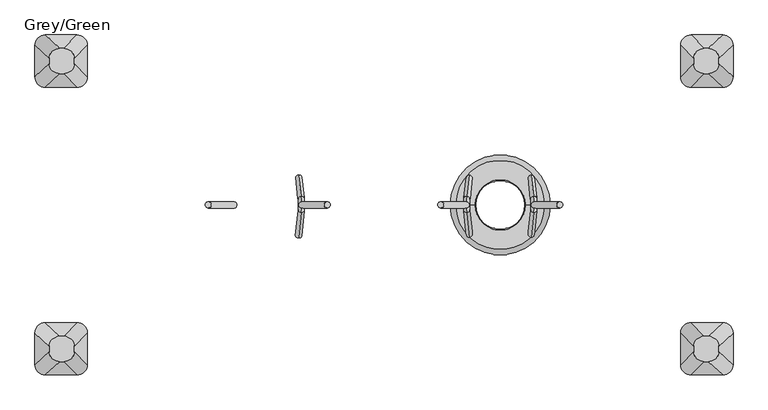
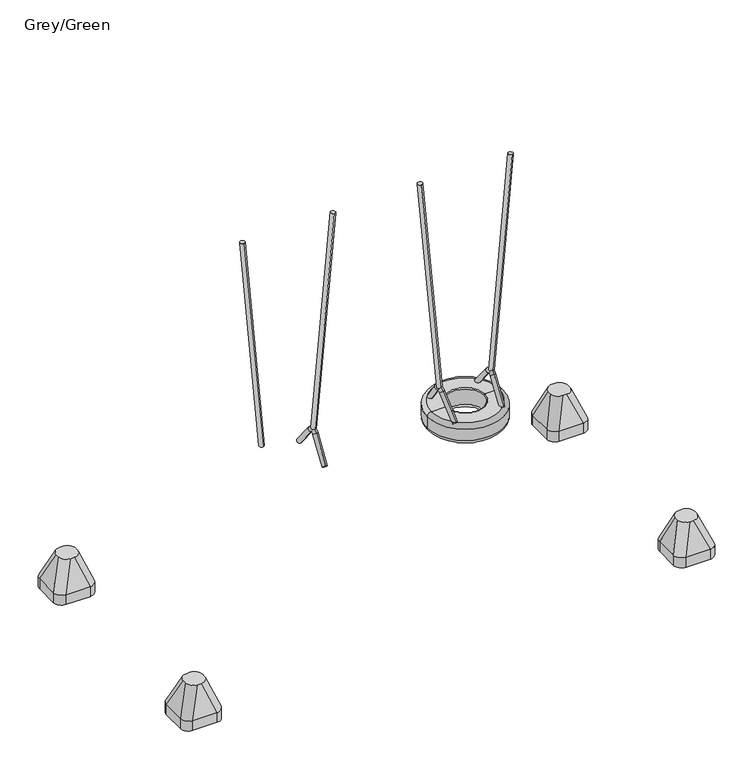
"""IFC4 building model written with IfcOpenShell, lengths in millimetres: furniture geometry, Grey/Green."""

from ifc_helpers import new_model, si_unit, point, frame, frame_2d, origin, place, context, project, spatial, circle_curve, ellipse_curve, trimmed, segment, composite_curve, outline, extrude, source, transform, mapped, element, save
from ifc_brep_helpers import plane_surface, cylinder_surface, revolved_surface, extruded_surface, advanced_brep


def grey_green_a9eba3dc(model_context):
    return source(origin(), model_context, "Body", "SolidModel", [
        extrude(outline(composite_curve([segment(trimmed(circle_curve(frame_2d((1.4321269, 0.0)), 18.0), [point((1.4321269, 18.0))], [point((1.4321269, -18.0))], False, "CARTESIAN"), True, "CONTINUOUS"), segment(trimmed(circle_curve(frame_2d((1.4321269, 0.0)), 18.0), [point((1.4321269, -18.0))], [point((1.4321269, 18.0))], False, "CARTESIAN"), True, "CONTINUOUS")], self_intersect=False)), frame((471.6509993, 0.0, 686.6778156), z_axis=(-0.08715574274765649, 0.0, 0.9961946980917457), x_axis=(-0.9961946980917457, 0.0, -0.08715574274765649)), (0.0, 0.0, 1.0), 1665.0),
        extrude(outline(composite_curve([segment(trimmed(circle_curve(frame_2d((1.4321269, 0.0)), 18.0), [point((1.4321269, 18.0))], [point((1.4321269, -18.0))], False, "CARTESIAN"), True, "CONTINUOUS"), segment(trimmed(circle_curve(frame_2d((1.4321269, 0.0)), 18.0), [point((1.4321269, -18.0))], [point((1.4321269, 18.0))], False, "CARTESIAN"), True, "CONTINUOUS")], self_intersect=False)), frame((858.3490007, 0.0, 686.6778156), z_axis=(0.08715574274767696, 0.0, 0.9961946980917439), x_axis=(0.9961946980917439, 0.0, -0.08715574274767696)), (0.0, 0.0, 1.0), 1665.0),
        advanced_brep(
        [(842.843913, 171.5929238, 509.453853), (840.9556542, 142.8420454, 487.8709553), (854.8767884, 22.4790408, 646.9902475), (856.7650472, 51.2299192, 668.5731452), (842.5847991, -188.6337903, 506.4921669), (840.5263438, -161.4642454, 482.9639159), (857.0557994, -44.3008039, 671.896457), (854.9973441, -17.131259, 648.3682061)],
        [
            (0, 1, circle_curve(frame((841.8997836, 157.2174846, 498.6624042), z_axis=(-0.06960567106284149, 0.6018150231520505, -0.7955964608169073), x_axis=(-0.05245163533952736, -0.7986355100472913, -0.5995249352960328)), 18.0)),
            (1, 0, circle_curve(frame((841.8997836, 157.2174846, 498.6624042), z_axis=(-0.06960567106284149, 0.6018150231520505, -0.7955964608169073), x_axis=(-0.05245163533952736, -0.7986355100472913, -0.5995249352960328)), 18.0)),
            (1, 2),
            (2, 3, circle_curve(frame((855.8209178, 36.85448, 657.7816963), z_axis=(-0.06960567106284149, 0.6018150231520505, -0.7955964608169073), x_axis=(-0.05245163533952736, -0.7986355100472913, -0.5995249352960328)), 18.0)),
            (3, 0),
            (3, 2, circle_curve(frame((855.8209178, 36.85448, 657.7816963), z_axis=(-0.06960567106284149, 0.6018150231520505, -0.7955964608169073), x_axis=(-0.05245163533952736, -0.7986355100472913, -0.5995249352960328)), 18.0)),
            (4, 5, circle_curve(frame((841.5555715, -175.0490178, 494.7280414), z_axis=(-0.06577727402310152, -0.6560590289905275, -0.7518376824169539), x_axis=(-0.0571793119579891, 0.7547095802227545, -0.6535625263155811)), 18.0)),
            (5, 4, circle_curve(frame((841.5555715, -175.0490178, 494.7280414), z_axis=(-0.06577727402310152, -0.6560590289905275, -0.7518376824169539), x_axis=(-0.0571793119579891, 0.7547095802227545, -0.6535625263155811)), 18.0)),
            (6, 7, circle_curve(frame((856.0265717, -30.7160315, 660.1323315), z_axis=(-0.06577727402310152, -0.6560590289905275, -0.7518376824169539), x_axis=(-0.0571793119579891, 0.7547095802227545, -0.6535625263155811)), 18.0)),
            (7, 5),
            (4, 6),
            (7, 6, circle_curve(frame((856.0265717, -30.7160315, 660.1323315), z_axis=(-0.06577727402310152, -0.6560590289905275, -0.7518376824169539), x_axis=(-0.0571793119579891, 0.7547095802227545, -0.6535625263155811)), 18.0)),
            (7, 2, circle_curve(frame((853.5392717, 2.1138353, 631.7023617), z_axis=(-0.9961946980917439, 0.0, 0.08715574274767696), x_axis=(0.0524516353395274, 0.7986355100472908, 0.5995249352960332)), 25.5)),
            (3, 6, circle_curve(frame((853.5392717, 2.1138353, 631.7023617), z_axis=(0.9961946980917439, 0.0, -0.08715574274767696), x_axis=(0.0524516353395274, 0.7986355100472908, 0.5995249352960332)), 61.5)),
        ],
        [
            plane_surface(frame((841.8997836, 157.2174846, 498.6624042), z_axis=(-0.06960567106284149, 0.6018150231520504, -0.7955964608169073), x_axis=(0.9961946980917439, 0.0, -0.08715574274767696))),
            cylinder_surface(frame((841.8997836, 157.2174846, 498.6624042), z_axis=(-0.06960567106284149, 0.6018150231520505, -0.7955964608169073), x_axis=(-0.05245163533952736, -0.7986355100472913, -0.5995249352960328)), 18.0),
            plane_surface(frame((841.5555715, -175.0490178, 494.7280414), z_axis=(-0.06577727402310148, -0.6560590289905277, -0.7518376824169536), x_axis=(0.9961946980917439, 0.0, -0.08715574274767686))),
            cylinder_surface(frame((856.0265717, -30.7160315, 660.1323315), z_axis=(0.0657772740231015, 0.6560590289905274, 0.7518376824169537), x_axis=(-0.0571793119579891, 0.7547095802227545, -0.6535625263155811)), 18.0),
            revolved_surface(trimmed(ellipse_curve(frame((855.8209178, 36.85448, 657.7816963), z_axis=(-0.06960567106284156, 0.6018150231520512, -0.7955964608169066), x_axis=(-0.05245163533952739, -0.7986355100472906, -0.5995249352960335)), 18.0, 18.0), [point((856.7650472, 51.2299192, 668.5731452))], [point((854.8767884, 22.4790408, 646.9902475))], True, "CARTESIAN"), (853.5392717, 2.1138353, 631.7023617), (0.9961946980917439, 0.0, -0.08715574274767696)),
            revolved_surface(trimmed(ellipse_curve(frame((855.8209178, 36.85448, 657.7816963), z_axis=(-0.06960567106284156, 0.6018150231520512, -0.7955964608169066), x_axis=(-0.05245163533952739, -0.7986355100472906, -0.5995249352960335)), 18.0, 18.0), [point((854.8767884, 22.4790408, 646.9902475))], [point((856.7650472, 51.2299192, 668.5731452))], True, "CARTESIAN"), (853.5392717, 2.1138353, 631.7023617), (0.9961946980917439, 0.0, -0.08715574274767696)),
        ],
        [
            (0, [[1, 2]]),
            (1, [[-2, 3, 4, 5]]),
            (1, [[-1, -5, 6, -3]]),
            (2, [[7, 8]]),
            (3, [[9, 10, -7, 11]]),
            (3, [[12, -11, -8, -10]]),
            (4, [[13, -6, 14, -12]]),
            (5, [[-14, -4, -13, -9]]),
        ],
    ),
        advanced_brep(
        [(489.0435586, 142.8352389, 487.8799535), (487.1552997, 171.5861173, 509.4628511), (475.1224244, 22.4722343, 646.9992456), (473.2341655, 51.2231127, 668.5821433), (489.4729122, -161.4568254, 482.9724192), (487.414457, -188.6263703, 506.5006701), (472.9434567, -44.2933839, 671.9049602), (475.0019119, -17.123839, 648.3767093)],
        [
            (0, 1, circle_curve(frame((488.0994292, 157.2106781, 498.6714023), z_axis=(0.06960567106282514, 0.6018150231520504, -0.7955964608169089), x_axis=(-0.052451635339515044, 0.7986355100472914, 0.5995249352960337)), 18.0)),
            (1, 0, circle_curve(frame((488.0994292, 157.2106781, 498.6714023), z_axis=(0.06960567106282514, 0.6018150231520504, -0.7955964608169089), x_axis=(-0.052451635339515044, 0.7986355100472914, 0.5995249352960337)), 18.0)),
            (0, 2),
            (2, 3, circle_curve(frame((474.178295, 36.8476735, 657.7906945), z_axis=(0.06960567106282514, 0.6018150231520504, -0.7955964608169089), x_axis=(-0.052451635339515044, 0.7986355100472914, 0.5995249352960337)), 18.0)),
            (3, 1),
            (3, 2, circle_curve(frame((474.178295, 36.8476735, 657.7906945), z_axis=(0.06960567106282514, 0.6018150231520504, -0.7955964608169089), x_axis=(-0.052451635339515044, 0.7986355100472914, 0.5995249352960337)), 18.0)),
            (4, 5, circle_curve(frame((488.4436846, -175.0415979, 494.7365446), z_axis=(0.06577727402308613, -0.6560590289905281, -0.7518376824169546), x_axis=(-0.05717931195797577, -0.754709580222754, 0.653562526315583)), 18.0)),
            (5, 4, circle_curve(frame((488.4436846, -175.0415979, 494.7365446), z_axis=(0.06577727402308613, -0.6560590289905281, -0.7518376824169546), x_axis=(-0.05717931195797577, -0.754709580222754, 0.653562526315583)), 18.0)),
            (6, 7, circle_curve(frame((473.9726843, -30.7086115, 660.1408348), z_axis=(0.06577727402308613, -0.6560590289905281, -0.7518376824169546), x_axis=(-0.05717931195797577, -0.754709580222754, 0.653562526315583)), 18.0)),
            (7, 4),
            (5, 6),
            (7, 6, circle_curve(frame((473.9726843, -30.7086115, 660.1408348), z_axis=(0.06577727402308613, -0.6560590289905281, -0.7518376824169546), x_axis=(-0.05717931195797577, -0.754709580222754, 0.653562526315583)), 18.0)),
            (6, 3, circle_curve(frame((476.4594607, 2.1143432, 631.7168506), z_axis=(-0.9961946980917457, 0.0, -0.08715574274765649), x_axis=(-0.05245163533951502, 0.7986355100472914, 0.5995249352960336)), 61.4908414)),
            (2, 7, circle_curve(frame((476.4594607, 2.1143432, 631.7168506), z_axis=(0.9961946980917457, 0.0, 0.08715574274765649), x_axis=(-0.05245163533951502, 0.7986355100472914, 0.5995249352960336)), 25.4908414)),
        ],
        [
            plane_surface(frame((488.0994292, 157.2106781, 498.6714023), z_axis=(0.06960567106282513, 0.6018150231520503, -0.7955964608169087), x_axis=(-0.9961946980917457, 0.0, -0.08715574274765646))),
            cylinder_surface(frame((488.0994292, 157.2106781, 498.6714023), z_axis=(0.06960567106282513, 0.6018150231520503, -0.7955964608169087), x_axis=(-0.052451635339515044, 0.7986355100472914, 0.5995249352960337)), 18.0),
            plane_surface(frame((488.4436846, -175.0415979, 494.7365446), z_axis=(0.06577727402308613, -0.6560590289905281, -0.7518376824169546), x_axis=(-0.9961946980917457, 0.0, -0.08715574274765645))),
            cylinder_surface(frame((473.9726843, -30.7086115, 660.1408348), z_axis=(-0.06577727402308613, 0.6560590289905281, 0.7518376824169546), x_axis=(-0.05717931195797577, -0.754709580222754, 0.653562526315583)), 18.0),
            revolved_surface(trimmed(ellipse_curve(frame((474.178295, 36.8476735, 657.7906945), z_axis=(0.0696056710628252, 0.6018150231520499, -0.7955964608169088), x_axis=(-0.05245163533951503, 0.7986355100472915, 0.5995249352960333)), 18.0, 18.0), [point((475.1224244, 22.4722343, 646.9992456))], [point((473.2341655, 51.2231127, 668.5821433))], True, "CARTESIAN"), (476.4594607, 2.1143432, 631.7168506), (0.9961946980917457, 0.0, 0.08715574274765649)),
            revolved_surface(trimmed(ellipse_curve(frame((474.178295, 36.8476735, 657.7906945), z_axis=(0.0696056710628252, 0.6018150231520499, -0.7955964608169088), x_axis=(-0.05245163533951503, 0.7986355100472915, 0.5995249352960333)), 18.0, 18.0), [point((473.2341655, 51.2231127, 668.5821433))], [point((475.1224244, 22.4722343, 646.9992456))], True, "CARTESIAN"), (476.4594607, 2.1143432, 631.7168506), (0.9961946980917457, 0.0, 0.08715574274765649)),
        ],
        [
            (0, [[1, 2]]),
            (1, [[-1, 3, 4, 5]]),
            (1, [[-2, -5, 6, -3]]),
            (2, [[7, 8]]),
            (3, [[9, 10, -8, 11]]),
            (3, [[12, -11, -7, -10]]),
            (4, [[13, -4, 14, -9]]),
            (5, [[-14, -6, -13, -12]]),
        ],
    ),
        advanced_brep(
        [(379.3165246, 0.0, 390.0), (950.6834754, 0.0, 390.0), (920.6834754, 0.0, 360.0), (409.3165246, 0.0, 360.0), (409.3165246, 0.0, 510.0), (920.6834754, 0.0, 510.0), (950.6834754, 0.0, 480.0), (379.3165246, 0.0, 480.0), (520.0, 0.0, 510.0), (810.0, 0.0, 510.0), (520.0, 0.0, 500.0), (810.0, 0.0, 500.0), (520.0, 0.0, 360.0), (810.0, 0.0, 360.0), (810.0, 0.0, 375.0), (520.0, 0.0, 375.0)],
        [
            (0, 1, circle_curve(frame((665.0, 0.0, 390.0), z_axis=(0.0, 0.0, -1.0), x_axis=(1.0, 0.0, 0.0)), 285.6834754)),
            (1, 2, circle_curve(frame((920.6834754, 0.0, 390.0), z_axis=(0.0, 1.0, 0.0), x_axis=(1.0, 0.0, 0.0)), 30.0)),
            (2, 3, circle_curve(frame((665.0, 0.0, 360.0), z_axis=(0.0, 0.0, 1.0), x_axis=(1.0, 0.0, 0.0)), 255.6834754)),
            (3, 0, circle_curve(frame((409.3165246, 0.0, 390.0), z_axis=(0.0, 1.0, 0.0), x_axis=(-1.0, 0.0, 0.0)), 30.0)),
            (1, 0, circle_curve(frame((665.0, 0.0, 390.0), z_axis=(0.0, 0.0, -1.0), x_axis=(1.0, 0.0, 0.0)), 285.6834754)),
            (3, 2, circle_curve(frame((665.0, 0.0, 360.0), z_axis=(0.0, 0.0, 1.0), x_axis=(1.0, 0.0, 0.0)), 255.6834754)),
            (4, 5, circle_curve(frame((665.0, 0.0, 510.0), z_axis=(0.0, 0.0, -1.0), x_axis=(1.0, 0.0, 0.0)), 255.6834754)),
            (5, 6, circle_curve(frame((920.6834754, 0.0, 480.0), z_axis=(0.0, 1.0, 0.0), x_axis=(1.0, 0.0, 0.0)), 30.0)),
            (6, 7, circle_curve(frame((665.0, 0.0, 480.0), z_axis=(0.0, 0.0, 1.0), x_axis=(1.0, 0.0, 0.0)), 285.6834754)),
            (7, 4, circle_curve(frame((409.3165246, 0.0, 480.0), z_axis=(0.0, 1.0, 0.0), x_axis=(-1.0, 0.0, 0.0)), 30.0)),
            (5, 4, circle_curve(frame((665.0, 0.0, 510.0), z_axis=(0.0, 0.0, -1.0), x_axis=(1.0, 0.0, 0.0)), 255.6834754)),
            (7, 6, circle_curve(frame((665.0, 0.0, 480.0), z_axis=(0.0, 0.0, 1.0), x_axis=(1.0, 0.0, 0.0)), 285.6834754)),
            (8, 9, circle_curve(frame((665.0, 0.0, 510.0), z_axis=(0.0, 0.0, -1.0), x_axis=(1.0, 0.0, 0.0)), 145.0)),
            (9, 5),
            (4, 8),
            (9, 8, circle_curve(frame((665.0, 0.0, 510.0), z_axis=(0.0, 0.0, -1.0), x_axis=(1.0, 0.0, 0.0)), 145.0)),
            (10, 11, circle_curve(frame((665.0, 0.0, 500.0), z_axis=(0.0, 0.0, -1.0), x_axis=(1.0, 0.0, 0.0)), 145.0)),
            (11, 9, circle_curve(frame((810.0, 0.0, 505.0), z_axis=(0.0, 1.0, 0.0), x_axis=(1.0, 0.0, 0.0)), 5.0)),
            (8, 10, circle_curve(frame((520.0, 0.0, 505.0), z_axis=(0.0, 1.0, 0.0), x_axis=(-1.0, 0.0, 0.0)), 5.0)),
            (11, 10, circle_curve(frame((665.0, 0.0, 500.0), z_axis=(0.0, 0.0, -1.0), x_axis=(1.0, 0.0, 0.0)), 145.0)),
            (12, 13, circle_curve(frame((665.0, 0.0, 360.0), z_axis=(0.0, 0.0, -1.0), x_axis=(1.0, 0.0, 0.0)), 145.0)),
            (13, 14, circle_curve(frame((813.8250415, 0.0, 367.5), z_axis=(0.0, 1.0, 0.0), x_axis=(1.0, 0.0, 0.0)), 8.4190821)),
            (14, 15, circle_curve(frame((665.0, 0.0, 375.0), z_axis=(0.0, 0.0, 1.0), x_axis=(1.0, 0.0, 0.0)), 145.0)),
            (15, 12, circle_curve(frame((516.1749585, 0.0, 367.5), z_axis=(0.0, 1.0, 0.0), x_axis=(-1.0, 0.0, 0.0)), 8.4190821)),
            (13, 12, circle_curve(frame((665.0, 0.0, 360.0), z_axis=(0.0, 0.0, -1.0), x_axis=(1.0, 0.0, 0.0)), 145.0)),
            (15, 14, circle_curve(frame((665.0, 0.0, 375.0), z_axis=(0.0, 0.0, 1.0), x_axis=(1.0, 0.0, 0.0)), 145.0)),
            (2, 13),
            (12, 3),
            (6, 1),
            (0, 7),
            (14, 11, circle_curve(frame((810.0, 0.0, 437.5), z_axis=(0.0, -1.0, 0.0), x_axis=(-1.0, 0.0, 0.0)), 62.5)),
            (10, 15, circle_curve(frame((520.0, 0.0, 437.5), z_axis=(0.0, -1.0, 0.0), x_axis=(1.0, 0.0, 0.0)), 62.5)),
        ],
        [
            revolved_surface(trimmed(ellipse_curve(frame((920.6834754, 0.0, 390.0), z_axis=(0.0, -1.0, 0.0), x_axis=(1.0, 0.0, 0.0)), 30.0, 30.0), [point((920.6834754, 0.0, 360.0))], [point((950.6834754, 0.0, 390.0))], True, "CARTESIAN"), (665.0, 0.0, 2969.0581012), (0.0, 0.0, 1.0)),
            revolved_surface(trimmed(ellipse_curve(frame((920.6834754, 0.0, 480.0), z_axis=(0.0, -1.0, 0.0), x_axis=(1.0, 0.0, 0.0)), 30.0, 30.0), [point((950.6834754, 0.0, 480.0))], [point((920.6834754, 0.0, 510.0))], True, "CARTESIAN"), (665.0, 0.0, 2969.0581012), (0.0, 0.0, 1.0)),
            plane_surface(frame((665.0, 0.0, 510.0), z_axis=(0.0, 0.0, 1.0), x_axis=(1.0, 0.0, 0.0))),
            revolved_surface(trimmed(ellipse_curve(frame((810.0, 0.0, 505.0), z_axis=(0.0, -1.0, 0.0), x_axis=(1.0, 0.0, 0.0)), 5.0, 5.0), [point((810.0, 0.0, 510.0))], [point((810.0, 0.0, 500.0))], True, "CARTESIAN"), (665.0, 0.0, 2969.0581012), (0.0, 0.0, 1.0)),
            revolved_surface(trimmed(ellipse_curve(frame((813.8250415, 0.0, 367.5), z_axis=(0.0, -1.0, 0.0), x_axis=(1.0, 0.0, 0.0)), 8.4190821, 8.4190821), [point((810.0, 0.0, 375.0))], [point((810.0, 0.0, 360.0))], True, "CARTESIAN"), (665.0, 0.0, 2969.0581012), (0.0, 0.0, 1.0)),
            plane_surface(frame((665.0, 0.0, 360.0), z_axis=(0.0, 0.0, -1.0), x_axis=(1.0, 0.0, 0.0))),
            cylinder_surface(frame((665.0, 0.0, 2969.0581012), z_axis=(0.0, 0.0, 1.0), x_axis=(1.0, 0.0, 0.0)), 285.6834754),
            revolved_surface(trimmed(ellipse_curve(frame((810.0, 0.0, 437.5), z_axis=(0.0, 1.0, 0.0), x_axis=(-1.0, 0.0, 0.0)), 62.5, 62.5), [point((810.0, 0.0, 500.0))], [point((810.0, 0.0, 375.0))], True, "CARTESIAN"), (665.0, 0.0, 2969.0581012), (0.0, 0.0, 1.0)),
        ],
        [
            (0, [[1, 2, 3, 4]]),
            (0, [[5, -4, 6, -2]]),
            (1, [[7, 8, 9, 10]]),
            (1, [[11, -10, 12, -8]]),
            (2, [[13, 14, -7, 15]]),
            (2, [[16, -15, -11, -14]]),
            (3, [[17, 18, -13, 19]]),
            (3, [[20, -19, -16, -18]]),
            (4, [[21, 22, 23, 24]]),
            (4, [[25, -24, 26, -22]]),
            (5, [[-3, 27, -21, 28]]),
            (5, [[-6, -28, -25, -27]]),
            (6, [[-9, 29, -1, 30]]),
            (6, [[-12, -30, -5, -29]]),
            (7, [[-23, 31, -17, 32]]),
            (7, [[-26, -32, -20, -31]]),
        ],
    ),
        advanced_brep(
        [(1757.0, -672.5, -604.0), (1937.0, -672.5, -604.0), (1997.0, -732.5, -604.0), (1997.0, -912.5, -604.0), (1937.0, -972.5, -604.0), (1757.0, -972.5, -604.0), (1697.0, -912.5, -604.0), (1697.0, -732.5, -604.0), (1757.0, -672.5, -526.0689494), (1937.0, -672.5, -526.0689494), (1997.0, -732.5, -526.0689494), (1997.0, -912.5, -526.0689494), (1937.0, -972.5, -526.0689494), (1757.0, -972.5, -526.0689494), (1697.0, -912.5, -526.0689494), (1697.0, -732.5, -526.0689494), (1855.9540451, -751.0510597, -316.0689494), (1830.9540451, -751.0510597, -316.0689494), (1770.9540451, -811.0510597, -316.0689494), (1770.9540451, -836.0510597, -316.0689494), (1830.9540451, -896.0510597, -316.0689494), (1855.9540451, -896.0510597, -316.0689494), (1915.9540451, -836.0510597, -316.0689494), (1915.9540451, -811.0510597, -316.0689494)],
        [
            (0, 1),
            (1, 2, circle_curve(frame((1937.0, -732.5, -604.0), z_axis=(0.0, 0.0, -1.0), x_axis=(-1.0, 0.0, 0.0)), 60.0)),
            (2, 3),
            (3, 4, circle_curve(frame((1937.0, -912.5, -604.0), z_axis=(0.0, 0.0, -1.0), x_axis=(-1.0, 0.0, 0.0)), 60.0)),
            (4, 5),
            (5, 6, circle_curve(frame((1757.0, -912.5, -604.0), z_axis=(0.0, 0.0, -1.0), x_axis=(-1.0, 0.0, 0.0)), 60.0)),
            (6, 7),
            (7, 0, circle_curve(frame((1757.0, -732.5, -604.0), z_axis=(0.0, 0.0, -1.0), x_axis=(-1.0, 0.0, 0.0)), 60.0)),
            (0, 8),
            (8, 9),
            (9, 1),
            (2, 10),
            (10, 11),
            (11, 3),
            (4, 12),
            (12, 13),
            (13, 5),
            (6, 14),
            (14, 15),
            (15, 7),
            (16, 17),
            (17, 18, circle_curve(frame((1830.9540451, -811.0510597, -316.0689494), z_axis=(0.0, 0.0, 1.0), x_axis=(-1.0, 0.0, 0.0)), 60.0)),
            (18, 19),
            (19, 20, circle_curve(frame((1830.9540451, -836.0510597, -316.0689494), z_axis=(0.0, 0.0, 1.0), x_axis=(-1.0, 0.0, 0.0)), 60.0)),
            (20, 21),
            (21, 22, circle_curve(frame((1855.9540451, -836.0510597, -316.0689494), z_axis=(0.0, 0.0, 1.0), x_axis=(-1.0, 0.0, 0.0)), 60.0)),
            (22, 23),
            (23, 16, circle_curve(frame((1855.9540451, -811.0510597, -316.0689494), z_axis=(0.0, 0.0, 1.0), x_axis=(-1.0, 0.0, 0.0)), 60.0)),
            (22, 11),
            (10, 23),
            (20, 13),
            (12, 21),
            (18, 15),
            (14, 19),
            (16, 9),
            (8, 17),
            (9, 10, circle_curve(frame((1937.0, -732.5, -526.0689494), z_axis=(0.0, 0.0, -1.0), x_axis=(-1.0, 0.0, 0.0)), 60.0)),
            (11, 12, circle_curve(frame((1937.0, -912.5, -526.0689494), z_axis=(0.0, 0.0, -1.0), x_axis=(-1.0, 0.0, 0.0)), 60.0)),
            (13, 14, circle_curve(frame((1757.0, -912.5, -526.0689494), z_axis=(0.0, 0.0, -1.0), x_axis=(-1.0, 0.0, 0.0)), 60.0)),
            (15, 8, circle_curve(frame((1757.0, -732.5, -526.0689494), z_axis=(0.0, 0.0, -1.0), x_axis=(-1.0, 0.0, 0.0)), 60.0)),
        ],
        [
            plane_surface(frame((2023.6329682, -672.5, -604.0), z_axis=(0.0, 0.0, -1.0), x_axis=(-1.0, 0.0, 0.0))),
            plane_surface(frame((1757.0, -672.5, -526.0689494), z_axis=(0.0, 1.0, 0.0), x_axis=(0.0, 0.0, -1.0))),
            plane_surface(frame((1997.0, -732.5, -526.0689494), z_axis=(1.0, 0.0, 0.0), x_axis=(0.0, 0.0, -1.0))),
            plane_surface(frame((1937.0, -972.5, -526.0689494), z_axis=(0.0, -1.0, 0.0), x_axis=(0.0, 0.0, -1.0))),
            plane_surface(frame((1697.0, -912.5, -526.0689494), z_axis=(-1.0, 0.0, 0.0), x_axis=(0.0, 0.0, -1.0))),
            plane_surface(frame((1843.4540451, -823.5510597, -316.0689494), z_axis=(0.0, 0.0, 1.0), x_axis=(1.0, 0.0, 0.0))),
            plane_surface(frame((1997.0, -822.5, -526.0689494), z_axis=(0.9329330935587706, 0.0, 0.36004977842357055), x_axis=(0.0, -1.0, 0.0))),
            plane_surface(frame((1847.0, -972.5, -526.0689494), z_axis=(0.0, -0.9396707723277333, 0.34208016550656856), x_axis=(-1.0, 0.0, 0.0))),
            plane_surface(frame((1697.0, -822.5, -526.0689494), z_axis=(-0.9432207285248213, 0.0, 0.33216661072586046), x_axis=(0.0, 1.0, 0.0))),
            plane_surface(frame((1847.0, -672.5, -526.0689494), z_axis=(0.0, 0.9366205672401335, 0.35034541958297477), x_axis=(1.0, 0.0, 0.0))),
            cylinder_surface(frame((1937.0, -732.5, -604.0), z_axis=(0.0, 0.0, 1.0), x_axis=(-1.0, 0.0, 0.0)), 60.0),
            cylinder_surface(frame((1937.0, -912.5, -604.0), z_axis=(0.0, 0.0, 1.0), x_axis=(-1.0, 0.0, 0.0)), 60.0),
            cylinder_surface(frame((1757.0, -912.5, -604.0), z_axis=(0.0, 0.0, 1.0), x_axis=(-1.0, 0.0, 0.0)), 60.0),
            cylinder_surface(frame((1757.0, -732.5, -604.0), z_axis=(0.0, 0.0, 1.0), x_axis=(-1.0, 0.0, 0.0)), 60.0),
            extruded_surface(trimmed(circle_curve(frame((1855.9540451, -811.0510597, -316.0689494), z_axis=(0.0, 0.0, -1.0), x_axis=(-1.0, 0.0, 0.0)), 60.0), [point((1855.9540451, -751.0510597, -316.0689494))], [point((1915.9540451, -811.0510597, -316.0689494))], True, "CARTESIAN"), (81.04595489999997, 78.5510597, -209.99999999999994), 238.40871583406042),
            extruded_surface(trimmed(circle_curve(frame((1830.9540451, -811.0510597, -316.0689494), z_axis=(0.0, 0.0, -1.0), x_axis=(-1.0, 0.0, 0.0)), 60.0), [point((1770.9540451, -811.0510597, -316.0689494))], [point((1830.9540451, -751.0510597, -316.0689494))], True, "CARTESIAN"), (-73.95404510000003, 78.5510597, -209.99999999999994), 236.0920790002193),
            extruded_surface(trimmed(circle_curve(frame((1855.9540451, -836.0510597, -316.0689494), z_axis=(0.0, 0.0, -1.0), x_axis=(-1.0, 0.0, 0.0)), 60.0), [point((1915.9540451, -836.0510597, -316.0689494))], [point((1855.9540451, -896.0510597, -316.0689494))], True, "CARTESIAN"), (81.04595489999997, -76.4489403, -209.99999999999994), 237.72439352882105),
            extruded_surface(trimmed(circle_curve(frame((1830.9540451, -836.0510597, -316.0689494), z_axis=(0.0, 0.0, -1.0), x_axis=(-1.0, 0.0, 0.0)), 60.0), [point((1830.9540451, -896.0510597, -316.0689494))], [point((1770.9540451, -836.0510597, -316.0689494))], True, "CARTESIAN"), (-73.95404510000003, -76.4489403, -209.99999999999994), 235.4010222145303),
        ],
        [
            (0, [[1, 2, 3, 4, 5, 6, 7, 8]]),
            (1, [[9, 10, 11, -1]]),
            (2, [[12, 13, 14, -3]]),
            (3, [[15, 16, 17, -5]]),
            (4, [[18, 19, 20, -7]]),
            (5, [[21, 22, 23, 24, 25, 26, 27, 28]]),
            (6, [[29, -13, 30, -27]]),
            (7, [[31, -16, 32, -25]]),
            (8, [[33, -19, 34, -23]]),
            (9, [[35, -10, 36, -21]]),
            (10, [[-11, 37, -12, -2]]),
            (11, [[-14, 38, -15, -4]]),
            (12, [[-17, 39, -18, -6]]),
            (13, [[-20, 40, -9, -8]]),
            (14, [[-30, -37, -35, -28]]),
            (15, [[-36, -40, -33, -22]]),
            (16, [[-32, -38, -29, -26]]),
            (17, [[-34, -39, -31, -24]]),
        ],
    ),
        advanced_brep(
        [(1757.0, 672.5, -604.0), (1697.0, 732.5, -604.0), (1697.0, 912.5, -604.0), (1757.0, 972.5, -604.0), (1937.0, 972.5, -604.0), (1997.0, 912.5, -604.0), (1997.0, 732.5, -604.0), (1937.0, 672.5, -604.0), (1937.0, 672.5, -526.0689494), (1757.0, 672.5, -526.0689494), (1997.0, 912.5, -526.0689494), (1997.0, 732.5, -526.0689494), (1757.0, 972.5, -526.0689494), (1937.0, 972.5, -526.0689494), (1697.0, 732.5, -526.0689494), (1697.0, 912.5, -526.0689494), (1855.9540451, 751.0510597, -316.0689494), (1915.9540451, 811.0510597, -316.0689494), (1915.9540451, 836.0510597, -316.0689494), (1855.9540451, 896.0510597, -316.0689494), (1830.9540451, 896.0510597, -316.0689494), (1770.9540451, 836.0510597, -316.0689494), (1770.9540451, 811.0510597, -316.0689494), (1830.9540451, 751.0510597, -316.0689494)],
        [
            (0, 1, circle_curve(frame((1757.0, 732.5, -604.0), z_axis=(0.0, 0.0, -1.0), x_axis=(-1.0, 0.0, 0.0)), 60.0)),
            (1, 2),
            (2, 3, circle_curve(frame((1757.0, 912.5, -604.0), z_axis=(0.0, 0.0, -1.0), x_axis=(-1.0, 0.0, 0.0)), 60.0)),
            (3, 4),
            (4, 5, circle_curve(frame((1937.0, 912.5, -604.0), z_axis=(0.0, 0.0, -1.0), x_axis=(-1.0, 0.0, 0.0)), 60.0)),
            (5, 6),
            (6, 7, circle_curve(frame((1937.0, 732.5, -604.0), z_axis=(0.0, 0.0, -1.0), x_axis=(-1.0, 0.0, 0.0)), 60.0)),
            (7, 0),
            (7, 8),
            (8, 9),
            (9, 0),
            (5, 10),
            (10, 11),
            (11, 6),
            (3, 12),
            (12, 13),
            (13, 4),
            (1, 14),
            (14, 15),
            (15, 2),
            (16, 17, circle_curve(frame((1855.9540451, 811.0510597, -316.0689494), z_axis=(0.0, 0.0, 1.0), x_axis=(-1.0, 0.0, 0.0)), 60.0)),
            (17, 18),
            (18, 19, circle_curve(frame((1855.9540451, 836.0510597, -316.0689494), z_axis=(0.0, 0.0, 1.0), x_axis=(-1.0, 0.0, 0.0)), 60.0)),
            (19, 20),
            (20, 21, circle_curve(frame((1830.9540451, 836.0510597, -316.0689494), z_axis=(0.0, 0.0, 1.0), x_axis=(-1.0, 0.0, 0.0)), 60.0)),
            (21, 22),
            (22, 23, circle_curve(frame((1830.9540451, 811.0510597, -316.0689494), z_axis=(0.0, 0.0, 1.0), x_axis=(-1.0, 0.0, 0.0)), 60.0)),
            (23, 16),
            (17, 11),
            (10, 18),
            (19, 13),
            (12, 20),
            (21, 15),
            (14, 22),
            (23, 9),
            (8, 16),
            (11, 8, circle_curve(frame((1937.0, 732.5, -526.0689494), z_axis=(0.0, 0.0, -1.0), x_axis=(-1.0, 0.0, 0.0)), 60.0)),
            (13, 10, circle_curve(frame((1937.0, 912.5, -526.0689494), z_axis=(0.0, 0.0, -1.0), x_axis=(-1.0, 0.0, 0.0)), 60.0)),
            (15, 12, circle_curve(frame((1757.0, 912.5, -526.0689494), z_axis=(0.0, 0.0, -1.0), x_axis=(-1.0, 0.0, 0.0)), 60.0)),
            (9, 14, circle_curve(frame((1757.0, 732.5, -526.0689494), z_axis=(0.0, 0.0, -1.0), x_axis=(-1.0, 0.0, 0.0)), 60.0)),
        ],
        [
            plane_surface(frame((2023.6329682, 672.5, -604.0), z_axis=(0.0, 0.0, -1.0), x_axis=(-1.0, 0.0, 0.0))),
            plane_surface(frame((1757.0, 672.5, -526.0689494), z_axis=(0.0, -1.0, 0.0), x_axis=(0.0, 0.0, -1.0))),
            plane_surface(frame((1997.0, 732.5, -526.0689494), z_axis=(1.0, 0.0, 0.0), x_axis=(0.0, 0.0, -1.0))),
            plane_surface(frame((1937.0, 972.5, -526.0689494), z_axis=(0.0, 1.0, 0.0), x_axis=(0.0, 0.0, -1.0))),
            plane_surface(frame((1697.0, 912.5, -526.0689494), z_axis=(-1.0, 0.0, 0.0), x_axis=(0.0, 0.0, -1.0))),
            plane_surface(frame((1843.4540451, 823.5510597, -316.0689494), z_axis=(0.0, 0.0, 1.0), x_axis=(1.0, 0.0, 0.0))),
            plane_surface(frame((1997.0, 822.5, -526.0689494), z_axis=(0.9329330935587706, 0.0, 0.36004977842357055), x_axis=(0.0, 1.0, 0.0))),
            plane_surface(frame((1847.0, 972.5, -526.0689494), z_axis=(0.0, 0.9396707723277333, 0.34208016550656856), x_axis=(-1.0, 0.0, 0.0))),
            plane_surface(frame((1697.0, 822.5, -526.0689494), z_axis=(-0.9432207285248213, 0.0, 0.33216661072586046), x_axis=(0.0, -1.0, 0.0))),
            plane_surface(frame((1847.0, 672.5, -526.0689494), z_axis=(0.0, -0.9366205672401335, 0.35034541958297477), x_axis=(1.0, 0.0, 0.0))),
            cylinder_surface(frame((1937.0, 732.5, -604.0), z_axis=(0.0, 0.0, 1.0), x_axis=(-1.0, 0.0, 0.0)), 60.0),
            cylinder_surface(frame((1937.0, 912.5, -604.0), z_axis=(0.0, 0.0, 1.0), x_axis=(-1.0, 0.0, 0.0)), 60.0),
            cylinder_surface(frame((1757.0, 912.5, -604.0), z_axis=(0.0, 0.0, 1.0), x_axis=(-1.0, 0.0, 0.0)), 60.0),
            cylinder_surface(frame((1757.0, 732.5, -604.0), z_axis=(0.0, 0.0, 1.0), x_axis=(-1.0, 0.0, 0.0)), 60.0),
            extruded_surface(trimmed(circle_curve(frame((1937.0, 732.5, -526.0689494), z_axis=(0.0, 0.0, 1.0), x_axis=(-1.0, 0.0, 0.0)), 60.0), [point((1937.0, 672.5, -526.0689494))], [point((1997.0, 732.5, -526.0689494))], True, "CARTESIAN"), (-81.04595489999997, 78.5510597, 209.99999999999994), 238.40871583406042),
            extruded_surface(trimmed(circle_curve(frame((1757.0, 732.5, -526.0689494), z_axis=(0.0, 0.0, 1.0), x_axis=(-1.0, 0.0, 0.0)), 60.0), [point((1697.0, 732.5, -526.0689494))], [point((1757.0, 672.5, -526.0689494))], True, "CARTESIAN"), (73.95404510000003, 78.5510597, 209.99999999999994), 236.0920790002193),
            extruded_surface(trimmed(circle_curve(frame((1937.0, 912.5, -526.0689494), z_axis=(0.0, 0.0, 1.0), x_axis=(-1.0, 0.0, 0.0)), 60.0), [point((1997.0, 912.5, -526.0689494))], [point((1937.0, 972.5, -526.0689494))], True, "CARTESIAN"), (-81.04595489999997, -76.4489403, 209.99999999999994), 237.72439352882105),
            extruded_surface(trimmed(circle_curve(frame((1757.0, 912.5, -526.0689494), z_axis=(0.0, 0.0, 1.0), x_axis=(-1.0, 0.0, 0.0)), 60.0), [point((1757.0, 972.5, -526.0689494))], [point((1697.0, 912.5, -526.0689494))], True, "CARTESIAN"), (73.95404510000003, -76.4489403, 209.99999999999994), 235.4010222145303),
        ],
        [
            (0, [[1, 2, 3, 4, 5, 6, 7, 8]]),
            (1, [[-8, 9, 10, 11]]),
            (2, [[-6, 12, 13, 14]]),
            (3, [[-4, 15, 16, 17]]),
            (4, [[-2, 18, 19, 20]]),
            (5, [[21, 22, 23, 24, 25, 26, 27, 28]]),
            (6, [[-22, 29, -13, 30]]),
            (7, [[-24, 31, -16, 32]]),
            (8, [[-26, 33, -19, 34]]),
            (9, [[-28, 35, -10, 36]]),
            (10, [[-7, -14, 37, -9]]),
            (11, [[-5, -17, 38, -12]]),
            (12, [[-3, -20, 39, -15]]),
            (13, [[-1, -11, 40, -18]]),
            (14, [[-21, -36, -37, -29]]),
            (15, [[-27, -34, -40, -35]]),
            (16, [[-23, -30, -38, -31]]),
            (17, [[-25, -32, -39, -33]]),
        ],
    ),
        advanced_brep(
        [(-1757.0, 672.5, -604.0), (-1937.0, 672.5, -604.0), (-1997.0, 732.5, -604.0), (-1997.0, 912.5, -604.0), (-1937.0, 972.5, -604.0), (-1757.0, 972.5, -604.0), (-1697.0, 912.5, -604.0), (-1697.0, 732.5, -604.0), (-1757.0, 672.5, -526.0689494), (-1937.0, 672.5, -526.0689494), (-1997.0, 732.5, -526.0689494), (-1997.0, 912.5, -526.0689494), (-1937.0, 972.5, -526.0689494), (-1757.0, 972.5, -526.0689494), (-1697.0, 912.5, -526.0689494), (-1697.0, 732.5, -526.0689494), (-1855.9540451, 751.0510597, -316.0689494), (-1830.9540451, 751.0510597, -316.0689494), (-1770.9540451, 811.0510597, -316.0689494), (-1770.9540451, 836.0510597, -316.0689494), (-1830.9540451, 896.0510597, -316.0689494), (-1855.9540451, 896.0510597, -316.0689494), (-1915.9540451, 836.0510597, -316.0689494), (-1915.9540451, 811.0510597, -316.0689494)],
        [
            (0, 1),
            (1, 2, circle_curve(frame((-1937.0, 732.5, -604.0), z_axis=(0.0, 0.0, -1.0), x_axis=(1.0, 0.0, 0.0)), 60.0)),
            (2, 3),
            (3, 4, circle_curve(frame((-1937.0, 912.5, -604.0), z_axis=(0.0, 0.0, -1.0), x_axis=(1.0, 0.0, 0.0)), 60.0)),
            (4, 5),
            (5, 6, circle_curve(frame((-1757.0, 912.5, -604.0), z_axis=(0.0, 0.0, -1.0), x_axis=(1.0, 0.0, 0.0)), 60.0)),
            (6, 7),
            (7, 0, circle_curve(frame((-1757.0, 732.5, -604.0), z_axis=(0.0, 0.0, -1.0), x_axis=(1.0, 0.0, 0.0)), 60.0)),
            (0, 8),
            (8, 9),
            (9, 1),
            (2, 10),
            (10, 11),
            (11, 3),
            (4, 12),
            (12, 13),
            (13, 5),
            (6, 14),
            (14, 15),
            (15, 7),
            (16, 17),
            (17, 18, circle_curve(frame((-1830.9540451, 811.0510597, -316.0689494), z_axis=(0.0, 0.0, 1.0), x_axis=(1.0, 0.0, 0.0)), 60.0)),
            (18, 19),
            (19, 20, circle_curve(frame((-1830.9540451, 836.0510597, -316.0689494), z_axis=(0.0, 0.0, 1.0), x_axis=(1.0, 0.0, 0.0)), 60.0)),
            (20, 21),
            (21, 22, circle_curve(frame((-1855.9540451, 836.0510597, -316.0689494), z_axis=(0.0, 0.0, 1.0), x_axis=(1.0, 0.0, 0.0)), 60.0)),
            (22, 23),
            (23, 16, circle_curve(frame((-1855.9540451, 811.0510597, -316.0689494), z_axis=(0.0, 0.0, 1.0), x_axis=(1.0, 0.0, 0.0)), 60.0)),
            (22, 11),
            (10, 23),
            (20, 13),
            (12, 21),
            (18, 15),
            (14, 19),
            (16, 9),
            (8, 17),
            (9, 10, circle_curve(frame((-1937.0, 732.5, -526.0689494), z_axis=(0.0, 0.0, -1.0), x_axis=(1.0, 0.0, 0.0)), 60.0)),
            (11, 12, circle_curve(frame((-1937.0, 912.5, -526.0689494), z_axis=(0.0, 0.0, -1.0), x_axis=(1.0, 0.0, 0.0)), 60.0)),
            (13, 14, circle_curve(frame((-1757.0, 912.5, -526.0689494), z_axis=(0.0, 0.0, -1.0), x_axis=(1.0, 0.0, 0.0)), 60.0)),
            (15, 8, circle_curve(frame((-1757.0, 732.5, -526.0689494), z_axis=(0.0, 0.0, -1.0), x_axis=(1.0, 0.0, 0.0)), 60.0)),
        ],
        [
            plane_surface(frame((-2023.6329682, 672.5, -604.0), z_axis=(0.0, 0.0, -1.0), x_axis=(1.0, 0.0, 0.0))),
            plane_surface(frame((-1757.0, 672.5, -526.0689494), z_axis=(0.0, -1.0, 0.0), x_axis=(0.0, 0.0, -1.0))),
            plane_surface(frame((-1997.0, 732.5, -526.0689494), z_axis=(-1.0, 0.0, 0.0), x_axis=(0.0, 0.0, -1.0))),
            plane_surface(frame((-1937.0, 972.5, -526.0689494), z_axis=(0.0, 1.0, 0.0), x_axis=(0.0, 0.0, -1.0))),
            plane_surface(frame((-1697.0, 912.5, -526.0689494), z_axis=(1.0, 0.0, 0.0), x_axis=(0.0, 0.0, -1.0))),
            plane_surface(frame((-1843.4540451, 823.5510597, -316.0689494), z_axis=(0.0, 0.0, 1.0), x_axis=(-1.0, 0.0, 0.0))),
            plane_surface(frame((-1997.0, 822.5, -526.0689494), z_axis=(-0.9329330935587706, 0.0, 0.36004977842357055), x_axis=(0.0, 1.0, 0.0))),
            plane_surface(frame((-1847.0, 972.5, -526.0689494), z_axis=(0.0, 0.9396707723277333, 0.34208016550656856), x_axis=(1.0, 0.0, 0.0))),
            plane_surface(frame((-1697.0, 822.5, -526.0689494), z_axis=(0.9432207285248213, 0.0, 0.33216661072586046), x_axis=(0.0, -1.0, 0.0))),
            plane_surface(frame((-1847.0, 672.5, -526.0689494), z_axis=(0.0, -0.9366205672401335, 0.35034541958297477), x_axis=(-1.0, 0.0, 0.0))),
            cylinder_surface(frame((-1937.0, 732.5, -604.0), z_axis=(0.0, 0.0, 1.0), x_axis=(1.0, 0.0, 0.0)), 60.0),
            cylinder_surface(frame((-1937.0, 912.5, -604.0), z_axis=(0.0, 0.0, 1.0), x_axis=(1.0, 0.0, 0.0)), 60.0),
            cylinder_surface(frame((-1757.0, 912.5, -604.0), z_axis=(0.0, 0.0, 1.0), x_axis=(1.0, 0.0, 0.0)), 60.0),
            cylinder_surface(frame((-1757.0, 732.5, -604.0), z_axis=(0.0, 0.0, 1.0), x_axis=(1.0, 0.0, 0.0)), 60.0),
            extruded_surface(trimmed(circle_curve(frame((-1855.9540451, 811.0510597, -316.0689494), z_axis=(0.0, 0.0, -1.0), x_axis=(1.0, 0.0, 0.0)), 60.0), [point((-1855.9540451, 751.0510597, -316.0689494))], [point((-1915.9540451, 811.0510597, -316.0689494))], True, "CARTESIAN"), (-81.04595489999997, -78.5510597, -209.99999999999994), 238.40871583406042),
            extruded_surface(trimmed(circle_curve(frame((-1830.9540451, 811.0510597, -316.0689494), z_axis=(0.0, 0.0, -1.0), x_axis=(1.0, 0.0, 0.0)), 60.0), [point((-1770.9540451, 811.0510597, -316.0689494))], [point((-1830.9540451, 751.0510597, -316.0689494))], True, "CARTESIAN"), (73.95404510000003, -78.5510597, -209.99999999999994), 236.0920790002193),
            extruded_surface(trimmed(circle_curve(frame((-1855.9540451, 836.0510597, -316.0689494), z_axis=(0.0, 0.0, -1.0), x_axis=(1.0, 0.0, 0.0)), 60.0), [point((-1915.9540451, 836.0510597, -316.0689494))], [point((-1855.9540451, 896.0510597, -316.0689494))], True, "CARTESIAN"), (-81.04595489999997, 76.4489403, -209.99999999999994), 237.72439352882105),
            extruded_surface(trimmed(circle_curve(frame((-1830.9540451, 836.0510597, -316.0689494), z_axis=(0.0, 0.0, -1.0), x_axis=(1.0, 0.0, 0.0)), 60.0), [point((-1830.9540451, 896.0510597, -316.0689494))], [point((-1770.9540451, 836.0510597, -316.0689494))], True, "CARTESIAN"), (73.95404510000003, 76.4489403, -209.99999999999994), 235.4010222145303),
        ],
        [
            (0, [[1, 2, 3, 4, 5, 6, 7, 8]]),
            (1, [[9, 10, 11, -1]]),
            (2, [[12, 13, 14, -3]]),
            (3, [[15, 16, 17, -5]]),
            (4, [[18, 19, 20, -7]]),
            (5, [[21, 22, 23, 24, 25, 26, 27, 28]]),
            (6, [[29, -13, 30, -27]]),
            (7, [[31, -16, 32, -25]]),
            (8, [[33, -19, 34, -23]]),
            (9, [[35, -10, 36, -21]]),
            (10, [[-11, 37, -12, -2]]),
            (11, [[-14, 38, -15, -4]]),
            (12, [[-17, 39, -18, -6]]),
            (13, [[-20, 40, -9, -8]]),
            (14, [[-30, -37, -35, -28]]),
            (15, [[-36, -40, -33, -22]]),
            (16, [[-32, -38, -29, -26]]),
            (17, [[-34, -39, -31, -24]]),
        ],
    ),
        advanced_brep(
        [(-1757.0, -672.5, -604.0), (-1697.0, -732.5, -604.0), (-1697.0, -912.5, -604.0), (-1757.0, -972.5, -604.0), (-1937.0, -972.5, -604.0), (-1997.0, -912.5, -604.0), (-1997.0, -732.5, -604.0), (-1937.0, -672.5, -604.0), (-1937.0, -672.5, -526.0689494), (-1757.0, -672.5, -526.0689494), (-1997.0, -912.5, -526.0689494), (-1997.0, -732.5, -526.0689494), (-1757.0, -972.5, -526.0689494), (-1937.0, -972.5, -526.0689494), (-1697.0, -732.5, -526.0689494), (-1697.0, -912.5, -526.0689494), (-1855.9540451, -751.0510597, -316.0689494), (-1915.9540451, -811.0510597, -316.0689494), (-1915.9540451, -836.0510597, -316.0689494), (-1855.9540451, -896.0510597, -316.0689494), (-1830.9540451, -896.0510597, -316.0689494), (-1770.9540451, -836.0510597, -316.0689494), (-1770.9540451, -811.0510597, -316.0689494), (-1830.9540451, -751.0510597, -316.0689494)],
        [
            (0, 1, circle_curve(frame((-1757.0, -732.5, -604.0), z_axis=(0.0, 0.0, -1.0), x_axis=(1.0, 0.0, 0.0)), 60.0)),
            (1, 2),
            (2, 3, circle_curve(frame((-1757.0, -912.5, -604.0), z_axis=(0.0, 0.0, -1.0), x_axis=(1.0, 0.0, 0.0)), 60.0)),
            (3, 4),
            (4, 5, circle_curve(frame((-1937.0, -912.5, -604.0), z_axis=(0.0, 0.0, -1.0), x_axis=(1.0, 0.0, 0.0)), 60.0)),
            (5, 6),
            (6, 7, circle_curve(frame((-1937.0, -732.5, -604.0), z_axis=(0.0, 0.0, -1.0), x_axis=(1.0, 0.0, 0.0)), 60.0)),
            (7, 0),
            (7, 8),
            (8, 9),
            (9, 0),
            (5, 10),
            (10, 11),
            (11, 6),
            (3, 12),
            (12, 13),
            (13, 4),
            (1, 14),
            (14, 15),
            (15, 2),
            (16, 17, circle_curve(frame((-1855.9540451, -811.0510597, -316.0689494), z_axis=(0.0, 0.0, 1.0), x_axis=(1.0, 0.0, 0.0)), 60.0)),
            (17, 18),
            (18, 19, circle_curve(frame((-1855.9540451, -836.0510597, -316.0689494), z_axis=(0.0, 0.0, 1.0), x_axis=(1.0, 0.0, 0.0)), 60.0)),
            (19, 20),
            (20, 21, circle_curve(frame((-1830.9540451, -836.0510597, -316.0689494), z_axis=(0.0, 0.0, 1.0), x_axis=(1.0, 0.0, 0.0)), 60.0)),
            (21, 22),
            (22, 23, circle_curve(frame((-1830.9540451, -811.0510597, -316.0689494), z_axis=(0.0, 0.0, 1.0), x_axis=(1.0, 0.0, 0.0)), 60.0)),
            (23, 16),
            (17, 11),
            (10, 18),
            (19, 13),
            (12, 20),
            (21, 15),
            (14, 22),
            (23, 9),
            (8, 16),
            (11, 8, circle_curve(frame((-1937.0, -732.5, -526.0689494), z_axis=(0.0, 0.0, -1.0), x_axis=(1.0, 0.0, 0.0)), 60.0)),
            (13, 10, circle_curve(frame((-1937.0, -912.5, -526.0689494), z_axis=(0.0, 0.0, -1.0), x_axis=(1.0, 0.0, 0.0)), 60.0)),
            (15, 12, circle_curve(frame((-1757.0, -912.5, -526.0689494), z_axis=(0.0, 0.0, -1.0), x_axis=(1.0, 0.0, 0.0)), 60.0)),
            (9, 14, circle_curve(frame((-1757.0, -732.5, -526.0689494), z_axis=(0.0, 0.0, -1.0), x_axis=(1.0, 0.0, 0.0)), 60.0)),
        ],
        [
            plane_surface(frame((-2023.6329682, -672.5, -604.0), z_axis=(0.0, 0.0, -1.0), x_axis=(1.0, 0.0, 0.0))),
            plane_surface(frame((-1757.0, -672.5, -526.0689494), z_axis=(0.0, 1.0, 0.0), x_axis=(0.0, 0.0, -1.0))),
            plane_surface(frame((-1997.0, -732.5, -526.0689494), z_axis=(-1.0, 0.0, 0.0), x_axis=(0.0, 0.0, -1.0))),
            plane_surface(frame((-1937.0, -972.5, -526.0689494), z_axis=(0.0, -1.0, 0.0), x_axis=(0.0, 0.0, -1.0))),
            plane_surface(frame((-1697.0, -912.5, -526.0689494), z_axis=(1.0, 0.0, 0.0), x_axis=(0.0, 0.0, -1.0))),
            plane_surface(frame((-1843.4540451, -823.5510597, -316.0689494), z_axis=(0.0, 0.0, 1.0), x_axis=(-1.0, 0.0, 0.0))),
            plane_surface(frame((-1997.0, -822.5, -526.0689494), z_axis=(-0.9329330935587706, 0.0, 0.36004977842357055), x_axis=(0.0, -1.0, 0.0))),
            plane_surface(frame((-1847.0, -972.5, -526.0689494), z_axis=(0.0, -0.9396707723277333, 0.34208016550656856), x_axis=(1.0, 0.0, 0.0))),
            plane_surface(frame((-1697.0, -822.5, -526.0689494), z_axis=(0.9432207285248213, 0.0, 0.33216661072586046), x_axis=(0.0, 1.0, 0.0))),
            plane_surface(frame((-1847.0, -672.5, -526.0689494), z_axis=(0.0, 0.9366205672401335, 0.35034541958297477), x_axis=(-1.0, 0.0, 0.0))),
            cylinder_surface(frame((-1937.0, -732.5, -604.0), z_axis=(0.0, 0.0, 1.0), x_axis=(1.0, 0.0, 0.0)), 60.0),
            cylinder_surface(frame((-1937.0, -912.5, -604.0), z_axis=(0.0, 0.0, 1.0), x_axis=(1.0, 0.0, 0.0)), 60.0),
            cylinder_surface(frame((-1757.0, -912.5, -604.0), z_axis=(0.0, 0.0, 1.0), x_axis=(1.0, 0.0, 0.0)), 60.0),
            cylinder_surface(frame((-1757.0, -732.5, -604.0), z_axis=(0.0, 0.0, 1.0), x_axis=(1.0, 0.0, 0.0)), 60.0),
            extruded_surface(trimmed(circle_curve(frame((-1937.0, -732.5, -526.0689494), z_axis=(0.0, 0.0, 1.0), x_axis=(1.0, 0.0, 0.0)), 60.0), [point((-1937.0, -672.5, -526.0689494))], [point((-1997.0, -732.5, -526.0689494))], True, "CARTESIAN"), (81.04595489999997, -78.5510597, 209.99999999999994), 238.40871583406042),
            extruded_surface(trimmed(circle_curve(frame((-1757.0, -732.5, -526.0689494), z_axis=(0.0, 0.0, 1.0), x_axis=(1.0, 0.0, 0.0)), 60.0), [point((-1697.0, -732.5, -526.0689494))], [point((-1757.0, -672.5, -526.0689494))], True, "CARTESIAN"), (-73.95404510000003, -78.5510597, 209.99999999999994), 236.0920790002193),
            extruded_surface(trimmed(circle_curve(frame((-1937.0, -912.5, -526.0689494), z_axis=(0.0, 0.0, 1.0), x_axis=(1.0, 0.0, 0.0)), 60.0), [point((-1997.0, -912.5, -526.0689494))], [point((-1937.0, -972.5, -526.0689494))], True, "CARTESIAN"), (81.04595489999997, 76.4489403, 209.99999999999994), 237.72439352882105),
            extruded_surface(trimmed(circle_curve(frame((-1757.0, -912.5, -526.0689494), z_axis=(0.0, 0.0, 1.0), x_axis=(1.0, 0.0, 0.0)), 60.0), [point((-1757.0, -972.5, -526.0689494))], [point((-1697.0, -912.5, -526.0689494))], True, "CARTESIAN"), (-73.95404510000003, 76.4489403, 209.99999999999994), 235.4010222145303),
        ],
        [
            (0, [[1, 2, 3, 4, 5, 6, 7, 8]]),
            (1, [[-8, 9, 10, 11]]),
            (2, [[-6, 12, 13, 14]]),
            (3, [[-4, 15, 16, 17]]),
            (4, [[-2, 18, 19, 20]]),
            (5, [[21, 22, 23, 24, 25, 26, 27, 28]]),
            (6, [[-22, 29, -13, 30]]),
            (7, [[-24, 31, -16, 32]]),
            (8, [[-26, 33, -19, 34]]),
            (9, [[-28, 35, -10, 36]]),
            (10, [[-7, -14, 37, -9]]),
            (11, [[-5, -17, 38, -12]]),
            (12, [[-3, -20, 39, -15]]),
            (13, [[-1, -11, 40, -18]]),
            (14, [[-21, -36, -37, -29]]),
            (15, [[-27, -34, -40, -35]]),
            (16, [[-23, -30, -38, -31]]),
            (17, [[-25, -32, -39, -33]]),
        ],
    ),
        extrude(outline(composite_curve([segment(trimmed(circle_curve(frame_2d((1.4321269, 0.0)), 18.0), [point((1.4321269, 18.0))], [point((1.4321269, -18.0))], False, "CARTESIAN"), True, "CONTINUOUS"), segment(trimmed(circle_curve(frame_2d((1.4321269, 0.0)), 18.0), [point((1.4321269, -18.0))], [point((1.4321269, 18.0))], False, "CARTESIAN"), True, "CONTINUOUS")], self_intersect=False)), frame((-858.3490007, 0.0, 686.6778156), z_axis=(-0.08715574274765649, 0.0, 0.9961946980917457), x_axis=(-0.9961946980917457, 0.0, -0.08715574274765649)), (0.0, 0.0, 1.0), 1665.0),
        extrude(outline(composite_curve([segment(trimmed(circle_curve(frame_2d((1.4321269, 0.0)), 18.0), [point((1.4321269, 18.0))], [point((1.4321269, -18.0))], False, "CARTESIAN"), True, "CONTINUOUS"), segment(trimmed(circle_curve(frame_2d((1.4321269, 0.0)), 18.0), [point((1.4321269, -18.0))], [point((1.4321269, 18.0))], False, "CARTESIAN"), True, "CONTINUOUS")], self_intersect=False)), frame((-471.6509993, 0.0, 686.6778156), z_axis=(0.08715574274767696, 0.0, 0.9961946980917439), x_axis=(0.9961946980917439, 0.0, -0.08715574274767696)), (0.0, 0.0, 1.0), 1665.0),
        advanced_brep(
        [(-487.156087, 171.5929238, 509.453853), (-489.0443458, 142.8420454, 487.8709553), (-475.1232116, 22.4790408, 646.9902475), (-473.2349528, 51.2299192, 668.5731452), (-487.4152009, -188.6337903, 506.4921669), (-489.4736562, -161.4642454, 482.9639159), (-472.9442006, -44.3008039, 671.896457), (-475.0026559, -17.131259, 648.3682061)],
        [
            (0, 1, circle_curve(frame((-488.1002164, 157.2174846, 498.6624042), z_axis=(-0.06960567106284149, 0.6018150231520505, -0.7955964608169073), x_axis=(-0.05245163533952736, -0.7986355100472913, -0.5995249352960328)), 18.0)),
            (1, 0, circle_curve(frame((-488.1002164, 157.2174846, 498.6624042), z_axis=(-0.06960567106284149, 0.6018150231520505, -0.7955964608169073), x_axis=(-0.05245163533952736, -0.7986355100472913, -0.5995249352960328)), 18.0)),
            (1, 2),
            (2, 3, circle_curve(frame((-474.1790822, 36.85448, 657.7816963), z_axis=(-0.06960567106284149, 0.6018150231520505, -0.7955964608169073), x_axis=(-0.05245163533952736, -0.7986355100472913, -0.5995249352960328)), 18.0)),
            (3, 0),
            (3, 2, circle_curve(frame((-474.1790822, 36.85448, 657.7816963), z_axis=(-0.06960567106284149, 0.6018150231520505, -0.7955964608169073), x_axis=(-0.05245163533952736, -0.7986355100472913, -0.5995249352960328)), 18.0)),
            (4, 5, circle_curve(frame((-488.4444285, -175.0490178, 494.7280414), z_axis=(-0.06577727402310152, -0.6560590289905275, -0.7518376824169539), x_axis=(-0.0571793119579891, 0.7547095802227545, -0.6535625263155811)), 18.0)),
            (5, 4, circle_curve(frame((-488.4444285, -175.0490178, 494.7280414), z_axis=(-0.06577727402310152, -0.6560590289905275, -0.7518376824169539), x_axis=(-0.0571793119579891, 0.7547095802227545, -0.6535625263155811)), 18.0)),
            (6, 7, circle_curve(frame((-473.9734283, -30.7160315, 660.1323315), z_axis=(-0.06577727402310152, -0.6560590289905275, -0.7518376824169539), x_axis=(-0.0571793119579891, 0.7547095802227545, -0.6535625263155811)), 18.0)),
            (7, 5),
            (4, 6),
            (7, 6, circle_curve(frame((-473.9734283, -30.7160315, 660.1323315), z_axis=(-0.06577727402310152, -0.6560590289905275, -0.7518376824169539), x_axis=(-0.0571793119579891, 0.7547095802227545, -0.6535625263155811)), 18.0)),
            (7, 2, circle_curve(frame((-476.4607283, 2.1138353, 631.7023617), z_axis=(-0.9961946980917439, 0.0, 0.08715574274767696), x_axis=(0.0524516353395274, 0.7986355100472908, 0.5995249352960332)), 25.5)),
            (3, 6, circle_curve(frame((-476.4607283, 2.1138353, 631.7023617), z_axis=(0.9961946980917439, 0.0, -0.08715574274767696), x_axis=(0.0524516353395274, 0.7986355100472908, 0.5995249352960332)), 61.5)),
        ],
        [
            plane_surface(frame((-488.1002164, 157.2174846, 498.6624042), z_axis=(-0.06960567106284149, 0.6018150231520504, -0.7955964608169073), x_axis=(0.9961946980917439, 0.0, -0.08715574274767696))),
            cylinder_surface(frame((-488.1002164, 157.2174846, 498.6624042), z_axis=(-0.06960567106284149, 0.6018150231520505, -0.7955964608169073), x_axis=(-0.05245163533952736, -0.7986355100472913, -0.5995249352960328)), 18.0),
            plane_surface(frame((-488.4444285, -175.0490178, 494.7280414), z_axis=(-0.06577727402310148, -0.6560590289905277, -0.7518376824169536), x_axis=(0.9961946980917439, 0.0, -0.08715574274767686))),
            cylinder_surface(frame((-473.9734283, -30.7160315, 660.1323315), z_axis=(0.0657772740231015, 0.6560590289905274, 0.7518376824169537), x_axis=(-0.0571793119579891, 0.7547095802227545, -0.6535625263155811)), 18.0),
            revolved_surface(trimmed(ellipse_curve(frame((-474.1790822, 36.85448, 657.7816963), z_axis=(-0.06960567106284156, 0.6018150231520512, -0.7955964608169066), x_axis=(-0.05245163533952739, -0.7986355100472906, -0.5995249352960335)), 18.0, 18.0), [point((-473.2349528, 51.2299192, 668.5731452))], [point((-475.1232116, 22.4790408, 646.9902475))], True, "CARTESIAN"), (-476.4607283, 2.1138353, 631.7023617), (0.9961946980917439, 0.0, -0.08715574274767696)),
            revolved_surface(trimmed(ellipse_curve(frame((-474.1790822, 36.85448, 657.7816963), z_axis=(-0.06960567106284156, 0.6018150231520512, -0.7955964608169066), x_axis=(-0.05245163533952739, -0.7986355100472906, -0.5995249352960335)), 18.0, 18.0), [point((-475.1232116, 22.4790408, 646.9902475))], [point((-473.2349528, 51.2299192, 668.5731452))], True, "CARTESIAN"), (-476.4607283, 2.1138353, 631.7023617), (0.9961946980917439, 0.0, -0.08715574274767696)),
        ],
        [
            (0, [[1, 2]]),
            (1, [[-2, 3, 4, 5]]),
            (1, [[-1, -5, 6, -3]]),
            (2, [[7, 8]]),
            (3, [[9, 10, -7, 11]]),
            (3, [[12, -11, -8, -10]]),
            (4, [[13, -6, 14, -12]]),
            (5, [[-14, -4, -13, -9]]),
        ],
    ),
    ])


if __name__ == "__main__":
    model = new_model("IFC4")
    model_context = context("Model", 3, world=origin())
    ifc_project = project(units=[si_unit("LENGTHUNIT", "METRE", prefix="MILLI")], contexts=[model_context])
    site = spatial("IfcSite", under=ifc_project)
    building = spatial("IfcBuilding", under=site)
    placement = place(None, origin())
    grey_green_shape = grey_green_a9eba3dc(model_context)
    element("IfcFurniture", 1, ObjectType="Grey/Green", at=placement, inside=building, context=model_context, shape_type="MappedRepresentation", body=[
        mapped(grey_green_shape, transform((0.0, 0.0, 0.0), x_axis=(1.0, 0.0, 0.0), y_axis=(0.0, 1.0, 0.0), z_axis=(0.0, 0.0, 1.0))),
    ])
    save(model, "model.ifc")
